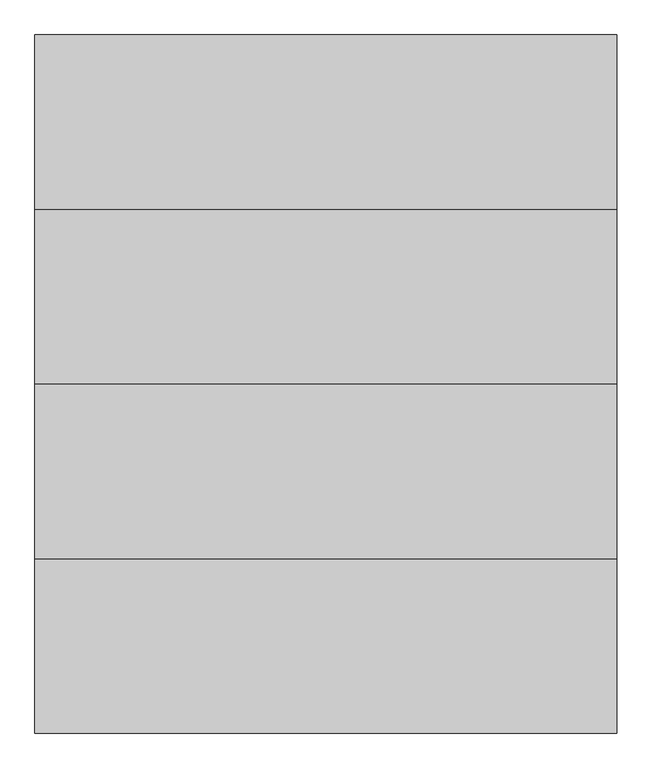
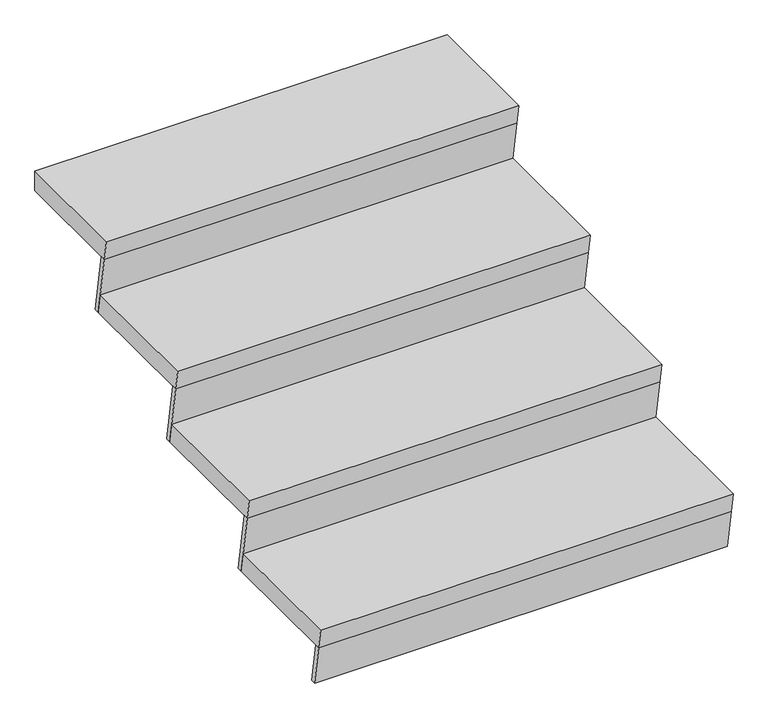
"""IFC4 building model written with IfcOpenShell, lengths in millimetres: stair flight geometry."""

from ifc_helpers import new_model, si_unit, frame, origin, place, context, project, spatial, polyline, outline, extrude, source, transform, mapped, element, save


def stair_flight_27ba9170(model_context):
    return source(origin(), model_context, "Body", "SweptSolid", [
        extrude(outline(polyline([(4392.3976828, 4650.0), (4717.3976828, 4650.0), (4725.7310161, 4600.0), (4400.7310161, 4600.0), (4392.3976828, 4650.0)])), frame((-12817.2117644, 0.0, 0.0), z_axis=(1.0, 0.0, 0.0), x_axis=(0.0, 1.0, 0.0)), (0.0, 0.0, 1.0), 1000.0),
        extrude(outline(polyline([(4400.7310161, 4600.0), (4413.4034381, 4600.0), (4430.0701047, 4500.0), (4417.3976828, 4500.0), (4400.7310161, 4600.0)])), frame((-12817.2117644, 0.0, 0.0), z_axis=(1.0, 0.0, 0.0), x_axis=(0.0, 1.0, 0.0)), (0.0, 0.0, 1.0), 1000.0),
        extrude(outline(polyline([(4700.7310161, 4750.0), (4713.4034381, 4750.0), (4738.4034381, 4600.0), (4725.7310161, 4600.0), (4700.7310161, 4750.0)])), frame((-12817.2117644, 0.0, 0.0), z_axis=(1.0, 0.0, 0.0), x_axis=(0.0, 1.0, 0.0)), (0.0, 0.0, 1.0), 1000.0),
        extrude(outline(polyline([(4692.3976828, 4800.0), (5017.3976828, 4800.0), (5025.7310161, 4750.0), (4700.7310161, 4750.0), (4692.3976828, 4800.0)])), frame((-12817.2117644, 0.0, 0.0), z_axis=(1.0, 0.0, 0.0), x_axis=(0.0, 1.0, 0.0)), (0.0, 0.0, 1.0), 1000.0),
        extrude(outline(polyline([(5000.7310161, 4900.0), (5013.4034381, 4900.0), (5038.4034381, 4750.0), (5025.7310161, 4750.0), (5000.7310161, 4900.0)])), frame((-12817.2117644, 0.0, 0.0), z_axis=(1.0, 0.0, 0.0), x_axis=(0.0, 1.0, 0.0)), (0.0, 0.0, 1.0), 1000.0),
        extrude(outline(polyline([(4992.3976828, 4950.0), (5317.3976828, 4950.0), (5325.7310161, 4900.0), (5000.7310161, 4900.0), (4992.3976828, 4950.0)])), frame((-12817.2117644, 0.0, 0.0), z_axis=(1.0, 0.0, 0.0), x_axis=(0.0, 1.0, 0.0)), (0.0, 0.0, 1.0), 1000.0),
        extrude(outline(polyline([(5300.7310161, 5050.0), (5313.4034381, 5050.0), (5338.4034381, 4900.0), (5325.7310161, 4900.0), (5300.7310161, 5050.0)])), frame((-12817.2117644, 0.0, 0.0), z_axis=(1.0, 0.0, 0.0), x_axis=(0.0, 1.0, 0.0)), (0.0, 0.0, 1.0), 1000.0),
        extrude(outline(polyline([(5292.3976828, 5100.0), (5592.3976828, 5100.0), (5592.3976828, 5050.0), (5300.7310161, 5050.0), (5292.3976828, 5100.0)])), frame((-12817.2117644, 0.0, 0.0), z_axis=(1.0, 0.0, 0.0), x_axis=(0.0, 1.0, 0.0)), (0.0, 0.0, 1.0), 1000.0),
    ])


if __name__ == "__main__":
    model = new_model("IFC4")
    model_context = context("Model", 3, world=origin())
    ifc_project = project(units=[si_unit("LENGTHUNIT", "METRE", prefix="MILLI")], contexts=[model_context])
    site = spatial("IfcSite", under=ifc_project)
    building = spatial("IfcBuilding", under=site)
    placement = place(None, origin())
    stair_flight_shape = stair_flight_27ba9170(model_context)
    element("IfcStairFlight", 1, at=placement, inside=building, context=model_context, shape_type="MappedRepresentation", body=[
        mapped(stair_flight_shape, transform((0.0, 0.0, 0.0), x_axis=(1.0, 0.0, 0.0), y_axis=(0.0, 1.0, 0.0), z_axis=(0.0, 0.0, 1.0))),
    ])
    save(model, "model.ifc")
